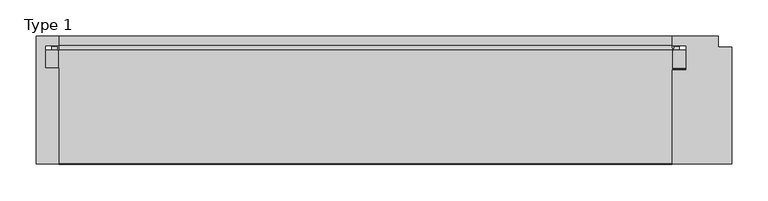
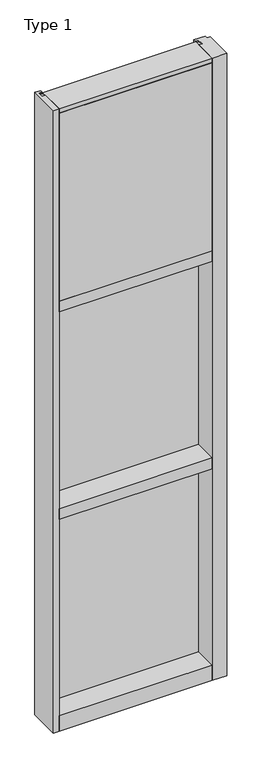
"""IFC4 building model written with IfcOpenShell, lengths in millimetres: plate geometry, Type 1."""

from ifc_helpers import new_model, si_unit, point, frame, frame_2d, origin, place, context, project, spatial, polyline, circle_curve, trimmed, segment, composite_curve, outline, extrude, source, transform, mapped, element, save


def type_1_3db16f0b(model_context):
    return source(origin(), model_context, "Body", "SweptSolid", [
        extrude(outline(composite_curve([segment(polyline([(-425.5265008, 34.0361122), (-425.9374462, 27.686), (-426.9039521, 27.686), (-426.9314595, 31.7563748)]), True, "CONTINUOUS"), segment(trimmed(circle_curve(frame_2d((-427.566445, 31.7520836)), 0.635), [point((-426.9314595, 31.7563748))], [point((-427.5313642, 32.3861138))], True, "CARTESIAN"), True, "CONTINUOUS"), segment(polyline([(-427.5313642, 32.3861138), (-434.2867251, 32.7598869)]), True, "CONTINUOUS"), segment(trimmed(circle_curve(frame_2d((-434.1041718, 33.7593519)), 1.016), [point((-434.2867251, 32.7598869))], [point((-435.0817504, 34.0361122))], False, "CARTESIAN"), True, "CONTINUOUS"), segment(polyline([(-435.0817504, 34.0361122), (-425.5265008, 34.0361122)]), True, "CONTINUOUS")], self_intersect=False)), frame((0.0, 0.0, 2459.3728643), z_axis=(0.0, 0.0, 1.0), x_axis=(1.0, 0.0, 0.0)), (0.0, 0.0, 1.0), 1134.7271357),
        extrude(outline(composite_curve([segment(polyline([(425.9374462, 27.686), (425.5265008, 34.0361122), (435.0817504, 34.0361122)]), True, "CONTINUOUS"), segment(trimmed(circle_curve(frame_2d((434.1041718, 33.7593519)), 1.016), [point((435.0817504, 34.0361122))], [point((434.2867251, 32.7598869))], False, "CARTESIAN"), True, "CONTINUOUS"), segment(polyline([(434.2867251, 32.7598869), (427.5313642, 32.3861138)]), True, "CONTINUOUS"), segment(trimmed(circle_curve(frame_2d((427.566445, 31.7520836)), 0.635), [point((427.5313642, 32.3861138))], [point((426.9314595, 31.7563748))], True, "CARTESIAN"), True, "CONTINUOUS"), segment(polyline([(426.9314595, 31.7563748), (426.9039521, 27.686), (425.9374462, 27.686)]), True, "CONTINUOUS")], self_intersect=False)), frame((0.0, 0.0, 2459.3728643), z_axis=(0.0, 0.0, 1.0), x_axis=(1.0, 0.0, 0.0)), (0.0, 0.0, 1.0), 1134.7271357),
        extrude(outline(polyline([(34.0361122, 2459.3728643), (27.686, 2459.3728643), (27.686, 2471.8771952), (34.0361122, 2470.1238955), (34.0361122, 2459.3728643)])), frame((-435.0817504, 0.0, 0.0), z_axis=(1.0, 0.0, 0.0), x_axis=(0.0, 1.0, 0.0)), (0.0, 0.0, 1.0), 870.1635007),
        extrude(outline(polyline([(425.45, -48.514), (425.45, -131.0159103), (-425.45, -131.0159103), (-425.45, -48.514), (425.45, -48.514)])), frame((0.0, 0.0, 2470.15), z_axis=(0.0, 0.0, 1.0), x_axis=(1.0, 0.0, 0.0)), (0.0, 0.0, 1.0), 1104.9),
        extrude(outline(polyline([(444.5, 27.686), (444.5, 2.286), (-444.5, 2.286), (-444.5, 27.686), (444.5, 27.686)])), frame((0.0, 0.0, 2451.1), z_axis=(0.0, 0.0, 1.0), x_axis=(1.0, 0.0, 0.0)), (0.0, 0.0, 1.0), 1143.0),
        extrude(outline(polyline([(-457.2, -130.5814), (-457.2, 47.2186), (-425.4489108, 47.2186), (-425.4489108, 34.036), (-444.5, 34.036), (-444.5, 2.286), (-425.45, 2.286), (-425.45, -130.5814), (-457.2, -130.5814)])), frame((0.0, 0.0, -57.15), z_axis=(0.0, 0.0, 1.0), x_axis=(1.0, 0.0, 0.0)), (0.0, 0.0, 1.0), 3657.6),
        extrude(outline(polyline([(425.4510892, -130.5814), (425.4510892, 0.0), (444.5010892, 0.0), (444.5010892, 34.036), (425.4510892, 34.036), (425.4510892, 47.2186), (488.9510892, 47.2186), (488.9510892, 31.3944), (508.0010892, 31.3944), (508.0010892, -130.5814), (425.4510892, -130.5814)])), frame((0.0, 0.0, -57.15), z_axis=(0.0, 0.0, 1.0), x_axis=(1.0, 0.0, 0.0)), (0.0, 0.0, 1.0), 3657.6),
        extrude(outline(polyline([(27.686, 1252.6752684), (34.036, 1250.9219997), (34.036, 1240.1709644), (27.686, 1240.1709644), (27.686, 1252.6752684)])), frame((-435.0828713, 0.0, 0.0), z_axis=(1.0, 0.0, 0.0), x_axis=(0.0, 1.0, 0.0)), (0.0, 0.0, 1.0), 870.1657427),
        extrude(outline(polyline([(27.6860992, 2417.4309356), (34.0360992, 2417.4309356), (34.0360992, 2406.6798775), (27.6860992, 2404.9266088), (27.6860992, 2417.4309356)])), frame((-435.0828713, 0.0, 0.0), z_axis=(1.0, 0.0, 0.0), x_axis=(0.0, 1.0, 0.0)), (0.0, 0.0, 1.0), 870.1657427),
        extrude(outline(composite_curve([segment(trimmed(circle_curve(frame_2d((-427.5675342, 31.7520836)), 0.635), [point((-426.9325487, 31.7563748))], [point((-427.5324534, 32.3861138))], True, "CARTESIAN"), True, "CONTINUOUS"), segment(polyline([(-427.5324534, 32.3861138), (-434.2878143, 32.7598869)]), True, "CONTINUOUS"), segment(trimmed(circle_curve(frame_2d((-434.1052611, 33.7593519)), 1.016), [point((-434.2878143, 32.7598869))], [point((-435.0828713, 34.036))], False, "CARTESIAN"), True, "CONTINUOUS"), segment(polyline([(-435.0828713, 34.036), (-425.5275972, 34.036), (-425.9385354, 27.686), (-426.9050413, 27.686), (-426.9325487, 31.7563748)]), True, "CONTINUOUS")], self_intersect=False)), frame((0.0, 0.0, 1240.1709644), z_axis=(0.0, 0.0, 1.0), x_axis=(1.0, 0.0, 0.0)), (0.0, 0.0, 1.0), 1177.2580861),
        extrude(outline(composite_curve([segment(polyline([(425.9385354, 27.686), (425.5275972, 34.036), (435.0828713, 34.036)]), True, "CONTINUOUS"), segment(trimmed(circle_curve(frame_2d((434.1052611, 33.7593519)), 1.016), [point((435.0828713, 34.036))], [point((434.2878143, 32.7598869))], False, "CARTESIAN"), True, "CONTINUOUS"), segment(polyline([(434.2878143, 32.7598869), (427.5324534, 32.3861138)]), True, "CONTINUOUS"), segment(trimmed(circle_curve(frame_2d((427.5675342, 31.7520836)), 0.635), [point((427.5324534, 32.3861138))], [point((426.9325487, 31.7563748))], True, "CARTESIAN"), True, "CONTINUOUS"), segment(polyline([(426.9325487, 31.7563748), (426.9050413, 27.686), (425.9385354, 27.686)]), True, "CONTINUOUS")], self_intersect=False)), frame((0.0, 0.0, 1240.1709644), z_axis=(0.0, 0.0, 1.0), x_axis=(1.0, 0.0, 0.0)), (0.0, 0.0, 1.0), 1177.2580861),
        extrude(outline(polyline([(444.5010892, 27.686), (444.5010892, 2.286), (-444.5010892, 2.286), (-444.5010892, 27.686), (444.5010892, 27.686)])), frame((0.0, 0.0, 1231.8962001), z_axis=(0.0, 0.0, 1.0), x_axis=(1.0, 0.0, 0.0)), (0.0, 0.0, 1.0), 1193.8037999),
        extrude(outline(polyline([(27.686, 33.4752684), (34.036, 31.7219997), (34.036, 20.9709644), (27.686, 20.9709644), (27.686, 33.4752684)])), frame((-435.0828713, 0.0, 0.0), z_axis=(1.0, 0.0, 0.0), x_axis=(0.0, 1.0, 0.0)), (0.0, 0.0, 1.0), 870.1657427),
        extrude(outline(polyline([(27.6860992, 1198.2309356), (34.0360992, 1198.2309356), (34.0360992, 1187.4798775), (27.6860992, 1185.7266088), (27.6860992, 1198.2309356)])), frame((-435.0828713, 0.0, 0.0), z_axis=(1.0, 0.0, 0.0), x_axis=(0.0, 1.0, 0.0)), (0.0, 0.0, 1.0), 870.1657427),
        extrude(outline(composite_curve([segment(trimmed(circle_curve(frame_2d((-427.5675342, 31.7520836)), 0.635), [point((-426.9325487, 31.7563748))], [point((-427.5324534, 32.3861138))], True, "CARTESIAN"), True, "CONTINUOUS"), segment(polyline([(-427.5324534, 32.3861138), (-434.2878143, 32.7598869)]), True, "CONTINUOUS"), segment(trimmed(circle_curve(frame_2d((-434.1052611, 33.7593519)), 1.016), [point((-434.2878143, 32.7598869))], [point((-435.0828713, 34.036))], False, "CARTESIAN"), True, "CONTINUOUS"), segment(polyline([(-435.0828713, 34.036), (-425.5275972, 34.036), (-425.9385354, 27.686), (-426.9050413, 27.686), (-426.9325487, 31.7563748)]), True, "CONTINUOUS")], self_intersect=False)), frame((0.0, 0.0, 20.9709644), z_axis=(0.0, 0.0, 1.0), x_axis=(1.0, 0.0, 0.0)), (0.0, 0.0, 1.0), 1177.2580861),
        extrude(outline(composite_curve([segment(polyline([(425.9385354, 27.686), (425.5275972, 34.036), (435.0828713, 34.036)]), True, "CONTINUOUS"), segment(trimmed(circle_curve(frame_2d((434.1052611, 33.7593519)), 1.016), [point((435.0828713, 34.036))], [point((434.2878143, 32.7598869))], False, "CARTESIAN"), True, "CONTINUOUS"), segment(polyline([(434.2878143, 32.7598869), (427.5324534, 32.3861138)]), True, "CONTINUOUS"), segment(trimmed(circle_curve(frame_2d((427.5675342, 31.7520836)), 0.635), [point((427.5324534, 32.3861138))], [point((426.9325487, 31.7563748))], True, "CARTESIAN"), True, "CONTINUOUS"), segment(polyline([(426.9325487, 31.7563748), (426.9050413, 27.686), (425.9385354, 27.686)]), True, "CONTINUOUS")], self_intersect=False)), frame((0.0, 0.0, 20.9709644), z_axis=(0.0, 0.0, 1.0), x_axis=(1.0, 0.0, 0.0)), (0.0, 0.0, 1.0), 1177.2580861),
        extrude(outline(polyline([(444.5010892, 27.686), (444.5010892, 2.286), (-444.5010892, 2.286), (-444.5010892, 27.686), (444.5010892, 27.686)])), frame((0.0, 0.0, 12.6962001), z_axis=(0.0, 0.0, 1.0), x_axis=(1.0, 0.0, 0.0)), (0.0, 0.0, 1.0), 1193.8037999),
        extrude(outline(polyline([(0.0, 2470.15), (0.0, 2451.1), (34.13125, 2451.1), (34.13125, 2470.1462001), (46.83125, 2470.1462001), (46.83125, 2406.6462001), (34.13125, 2406.6462001), (34.13125, 2425.7), (0.0, 2425.7), (0.0, 2406.65), (-130.175, 2406.65), (-130.175, 2470.15), (0.0, 2470.15)])), frame((-425.45, 0.0, 0.0), z_axis=(1.0, 0.0, 0.0), x_axis=(0.0, 1.0, 0.0)), (0.0, 0.0, 1.0), 850.9),
        extrude(outline(polyline([(-130.0734, 3600.45), (27.686, 3600.45), (27.686, 3594.1), (0.0, 3594.1), (0.0, 3575.051832), (-130.0734, 3575.051832), (-130.0734, 3600.45)])), frame((-425.45, 0.0, 0.0), z_axis=(1.0, 0.0, 0.0), x_axis=(0.0, 1.0, 0.0)), (0.0, 0.0, 1.0), 850.9),
        extrude(outline(polyline([(0.0, 1250.95), (0.0, 1231.9), (34.13125, 1231.9), (34.13125, 1250.9462001), (46.83125, 1250.9462001), (46.83125, 1187.4462001), (34.13125, 1187.4462001), (34.13125, 1206.5), (0.0, 1206.5), (0.0, 1187.45), (-130.175, 1187.45), (-130.175, 1250.95), (0.0, 1250.95)])), frame((-425.45, 0.0, 0.0), z_axis=(1.0, 0.0, 0.0), x_axis=(0.0, 1.0, 0.0)), (0.0, 0.0, 1.0), 850.9),
        extrude(outline(polyline([(0.0, 31.75), (0.0, 12.7), (34.13125, 12.7), (34.13125, 31.751832), (47.2186148, 31.751832), (47.2186148, -57.15), (-130.175, -57.15), (-130.175, 31.75), (0.0, 31.75)])), frame((-425.45, 0.0, 0.0), z_axis=(1.0, 0.0, 0.0), x_axis=(0.0, 1.0, 0.0)), (0.0, 0.0, 1.0), 850.9),
    ])


if __name__ == "__main__":
    model = new_model("IFC4")
    model_context = context("Model", 3, world=origin())
    ifc_project = project(units=[si_unit("LENGTHUNIT", "METRE", prefix="MILLI")], contexts=[model_context])
    site = spatial("IfcSite", under=ifc_project)
    building = spatial("IfcBuilding", under=site)
    placement = place(None, origin())
    type_1_shape = type_1_3db16f0b(model_context)
    element("IfcPlate", 1, ObjectType="Type 1", at=placement, inside=building, context=model_context, shape_type="MappedRepresentation", body=[
        mapped(type_1_shape, transform((0.0, 0.0, 0.0), x_axis=(1.0, 0.0, 0.0), y_axis=(0.0, 1.0, 0.0), z_axis=(0.0, 0.0, 1.0))),
    ])
    save(model, "model.ifc")
